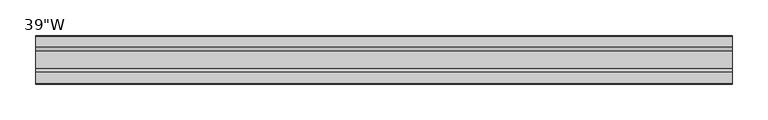
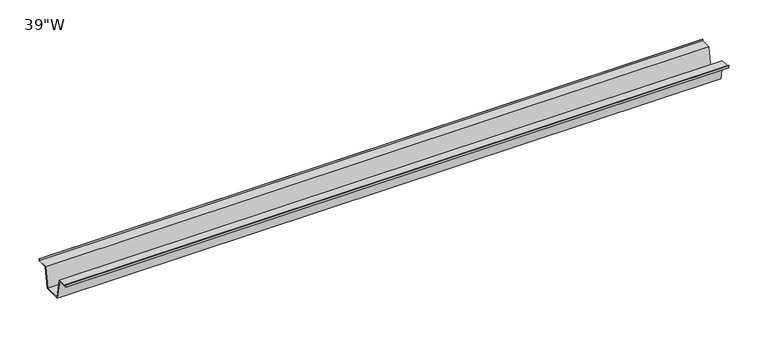
"""IFC4 building model written with IfcOpenShell, lengths in millimetres: furniture geometry."""

from ifc_helpers import new_model, si_unit, frame, origin, place, context, project, spatial, polyline, outline, extrude, source, transform, mapped, element, save


def furniture_57b2e65a(model_context):
    return source(origin(), model_context, "Body", "SweptSolid", [
        extrude(outline(polyline([(-22.9397721, 701.675), (-28.502372, 671.4490007), (-53.9023728, 671.4490007), (-59.4649727, 701.675), (-75.3653716, 701.675), (-75.3653716, 704.85), (-74.5716216, 704.85), (-74.5716216, 702.46875), (-58.8172994, 702.46875), (-53.2546995, 672.2427507), (-29.1500453, 672.2427507), (-23.5874454, 702.46875), (-7.8331232, 702.46875), (-7.8331232, 704.85), (-7.0393732, 704.85), (-7.0393732, 701.675), (-22.9397721, 701.675)])), frame((-490.22, 0.0, 0.0), z_axis=(1.0, 0.0, 0.0), x_axis=(0.0, 1.0, 0.0)), (0.0, 0.0, 1.0), 980.44),
    ])


if __name__ == "__main__":
    model = new_model("IFC4")
    model_context = context("Model", 3, world=origin())
    ifc_project = project(units=[si_unit("LENGTHUNIT", "METRE", prefix="MILLI")], contexts=[model_context])
    site = spatial("IfcSite", under=ifc_project)
    building = spatial("IfcBuilding", under=site)
    placement = place(None, origin())
    furniture_shape = furniture_57b2e65a(model_context)
    element("IfcFurniture", 1, ObjectType="39\"W", at=placement, inside=building, context=model_context, shape_type="MappedRepresentation", body=[
        mapped(furniture_shape, transform((0.0, 0.0, 0.0), x_axis=(1.0, 0.0, 0.0), y_axis=(0.0, 1.0, 0.0), z_axis=(0.0, 0.0, 1.0))),
    ])
    save(model, "model.ifc")
